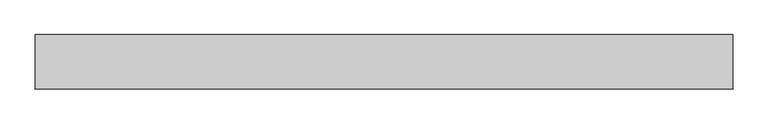
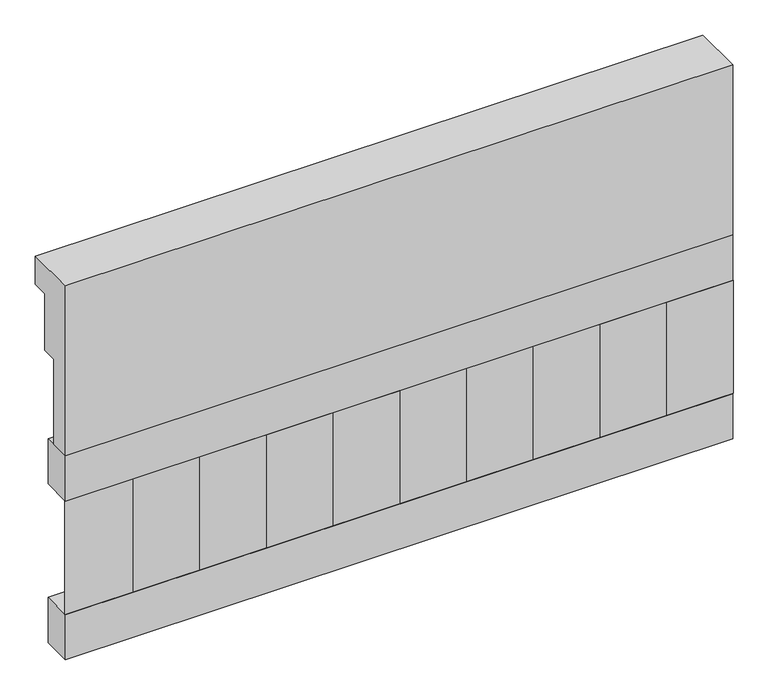
"""IFC4 building model written with IfcOpenShell, lengths in millimetres: railing geometry."""

from ifc_helpers import new_model, si_unit, frame, origin, place, context, project, spatial, polyline, outline, extrude, source, transform, mapped, element, save


def railing_c7550aef(model_context):
    return source(origin(), model_context, "Body", "SweptSolid", [
        extrude(outline(polyline([(903.1079487, 15200.0), (1033.1079487, 15200.0), (1033.1079487, 15125.0), (993.1079487, 15125.0), (993.1079487, 14975.0), (953.1079487, 14975.0), (953.1079487, 14750.0), (903.1079487, 14750.0), (903.1079487, 15200.0)])), frame((22660.0112841, 0.0, 0.0), z_axis=(1.0, 0.0, 0.0), x_axis=(0.0, 1.0, 0.0)), (0.0, 0.0, 1.0), 1670.0),
        extrude(outline(polyline([(24330.0112841, 978.1079487), (24330.0112841, 903.1079487), (22660.0112841, 903.1079487), (22660.0112841, 978.1079487), (24330.0112841, 978.1079487)])), frame((0.0, 0.0, 14630.0), z_axis=(0.0, 0.0, 1.0), x_axis=(1.0, 0.0, 0.0)), (0.0, 0.0, 1.0), 120.0),
        extrude(outline(polyline([(24330.0112841, 978.1079487), (24330.0112841, 903.1079487), (22660.0112841, 903.1079487), (22660.0112841, 978.1079487), (24330.0112841, 978.1079487)])), frame((0.0, 0.0, 14210.0), z_axis=(0.0, 0.0, 1.0), x_axis=(1.0, 0.0, 0.0)), (0.0, 0.0, 1.0), 120.0),
        extrude(outline(polyline([(22743.5112841, 987.9607624), (22828.3640978, 903.1079487), (22658.6584704, 903.1079487), (22743.5112841, 987.9607624)])), frame((0.0, 0.0, 14330.0), z_axis=(0.0, 0.0, 1.0), x_axis=(1.0, 0.0, 0.0)), (0.0, 0.0, 1.0), 300.0),
        extrude(outline(polyline([(22910.5112841, 987.9607624), (22995.3640978, 903.1079487), (22825.6584704, 903.1079487), (22910.5112841, 987.9607624)])), frame((0.0, 0.0, 14330.0), z_axis=(0.0, 0.0, 1.0), x_axis=(1.0, 0.0, 0.0)), (0.0, 0.0, 1.0), 300.0),
        extrude(outline(polyline([(23077.5112841, 987.9607624), (23162.3640978, 903.1079487), (22992.6584704, 903.1079487), (23077.5112841, 987.9607624)])), frame((0.0, 0.0, 14330.0), z_axis=(0.0, 0.0, 1.0), x_axis=(1.0, 0.0, 0.0)), (0.0, 0.0, 1.0), 300.0),
        extrude(outline(polyline([(23244.5112841, 987.9607624), (23329.3640978, 903.1079487), (23159.6584704, 903.1079487), (23244.5112841, 987.9607624)])), frame((0.0, 0.0, 14330.0), z_axis=(0.0, 0.0, 1.0), x_axis=(1.0, 0.0, 0.0)), (0.0, 0.0, 1.0), 300.0),
        extrude(outline(polyline([(23411.5112841, 987.9607624), (23496.3640978, 903.1079487), (23326.6584704, 903.1079487), (23411.5112841, 987.9607624)])), frame((0.0, 0.0, 14330.0), z_axis=(0.0, 0.0, 1.0), x_axis=(1.0, 0.0, 0.0)), (0.0, 0.0, 1.0), 300.0),
        extrude(outline(polyline([(23578.5112841, 987.9607624), (23663.3640978, 903.1079487), (23493.6584704, 903.1079487), (23578.5112841, 987.9607624)])), frame((0.0, 0.0, 14330.0), z_axis=(0.0, 0.0, 1.0), x_axis=(1.0, 0.0, 0.0)), (0.0, 0.0, 1.0), 300.0),
        extrude(outline(polyline([(23745.5112841, 987.9607624), (23830.3640978, 903.1079487), (23660.6584704, 903.1079487), (23745.5112841, 987.9607624)])), frame((0.0, 0.0, 14330.0), z_axis=(0.0, 0.0, 1.0), x_axis=(1.0, 0.0, 0.0)), (0.0, 0.0, 1.0), 300.0),
        extrude(outline(polyline([(23912.5112841, 987.9607624), (23997.3640978, 903.1079487), (23827.6584704, 903.1079487), (23912.5112841, 987.9607624)])), frame((0.0, 0.0, 14330.0), z_axis=(0.0, 0.0, 1.0), x_axis=(1.0, 0.0, 0.0)), (0.0, 0.0, 1.0), 300.0),
        extrude(outline(polyline([(24079.5112841, 987.9607624), (24164.3640978, 903.1079487), (23994.6584704, 903.1079487), (24079.5112841, 987.9607624)])), frame((0.0, 0.0, 14330.0), z_axis=(0.0, 0.0, 1.0), x_axis=(1.0, 0.0, 0.0)), (0.0, 0.0, 1.0), 300.0),
        extrude(outline(polyline([(24246.5112841, 987.9607624), (24331.3640978, 903.1079487), (24161.6584704, 903.1079487), (24246.5112841, 987.9607624)])), frame((0.0, 0.0, 14330.0), z_axis=(0.0, 0.0, 1.0), x_axis=(1.0, 0.0, 0.0)), (0.0, 0.0, 1.0), 300.0),
    ])


if __name__ == "__main__":
    model = new_model("IFC4")
    model_context = context("Model", 3, world=origin())
    ifc_project = project(units=[si_unit("LENGTHUNIT", "METRE", prefix="MILLI")], contexts=[model_context])
    site = spatial("IfcSite", under=ifc_project)
    building = spatial("IfcBuilding", under=site)
    placement = place(None, origin())
    railing_shape = railing_c7550aef(model_context)
    element("IfcRailing", 1, at=placement, inside=building, context=model_context, shape_type="MappedRepresentation", body=[
        mapped(railing_shape, transform((0.0, 0.0, 0.0), x_axis=(1.0, 0.0, 0.0), y_axis=(0.0, 1.0, 0.0), z_axis=(0.0, 0.0, 1.0))),
    ])
    save(model, "model.ifc")
